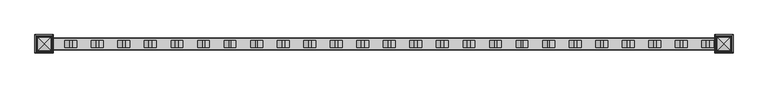
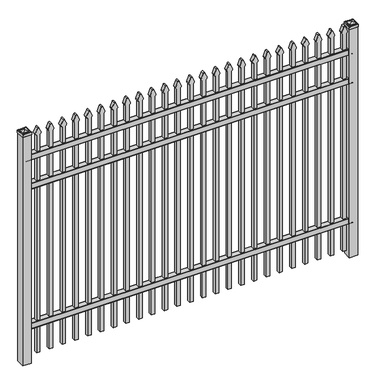
"""IFC4 building model written with IfcOpenShell, lengths in millimetres: railing geometry."""

from ifc_helpers import new_model, si_unit, point, frame, frame_2d, origin, origin_with_axes, place, context, project, spatial, polyline, circle_curve, ellipse_curve, trimmed, segment, composite_curve, outline, extrude, source, transform, mapped, element, save
from ifc_brep_helpers import plane_surface, cylinder_surface, advanced_brep


def railing_b350ca13(model_context):
    return source(origin(), model_context, "Body", "SolidModel", [
        extrude(outline(composite_curve([segment(polyline([(10349.9139761, 304.8), (10387.969541, 304.8)]), True, "CONTINUOUS"), segment(trimmed(circle_curve(frame_2d((10387.969541, 301.625)), 3.175), [point((10387.969541, 304.8))], [point((10391.144541, 301.625))], False, "CARTESIAN"), True, "CONTINUOUS"), segment(polyline([(10391.144541, 301.625), (10391.144541, 262.1439893)]), True, "CONTINUOUS"), segment(trimmed(circle_curve(frame_2d((10389.3505518, 262.1439893)), 1.7939893), [point((10391.144541, 262.1439893))], [point((10389.3505518, 260.35))], False, "CARTESIAN"), True, "CONTINUOUS"), segment(polyline([(10389.3505518, 260.35), (10386.7590713, 260.35)]), True, "CONTINUOUS"), segment(trimmed(circle_curve(frame_2d((10386.7590713, 262.1359375)), 1.7859375), [point((10386.7590713, 260.35))], [point((10384.9755813, 262.0424688))], False, "CARTESIAN"), True, "CONTINUOUS"), segment(polyline([(10384.9755813, 262.0424688), (10383.4025867, 292.0569942), (10354.4364954, 292.0569942), (10352.8635007, 262.0424688)]), True, "CONTINUOUS"), segment(trimmed(circle_curve(frame_2d((10351.0800108, 262.1359375)), 1.7859375), [point((10352.8635007, 262.0424688))], [point((10351.0800108, 260.35))], False, "CARTESIAN"), True, "CONTINUOUS"), segment(polyline([(10351.0800108, 260.35), (10348.4804785, 260.35)]), True, "CONTINUOUS"), segment(trimmed(circle_curve(frame_2d((10348.4804785, 262.1359375)), 1.7859375), [point((10348.4804785, 260.35))], [point((10346.694541, 262.1359375))], False, "CARTESIAN"), True, "CONTINUOUS"), segment(polyline([(10346.694541, 262.1359375), (10346.694541, 301.5805649)]), True, "CONTINUOUS"), segment(trimmed(circle_curve(frame_2d((10349.9139761, 301.5805649)), 3.2194351), [point((10346.694541, 301.5805649))], [point((10349.9139761, 304.8))], False, "CARTESIAN"), True, "CONTINUOUS")], self_intersect=False)), frame((-28443.4649936, 0.0, 0.0), z_axis=(1.0, 0.0, 0.0), x_axis=(0.0, 1.0, 0.0)), (0.0, 0.0, 1.0), 2438.4),
        extrude(outline(composite_curve([segment(polyline([(10349.9139761, 1409.7), (10387.969541, 1409.7)]), True, "CONTINUOUS"), segment(trimmed(circle_curve(frame_2d((10387.969541, 1406.525)), 3.175), [point((10387.969541, 1409.7))], [point((10391.144541, 1406.525))], False, "CARTESIAN"), True, "CONTINUOUS"), segment(polyline([(10391.144541, 1406.525), (10391.144541, 1367.0439893)]), True, "CONTINUOUS"), segment(trimmed(circle_curve(frame_2d((10389.3505518, 1367.0439893)), 1.7939893), [point((10391.144541, 1367.0439893))], [point((10389.3505518, 1365.25))], False, "CARTESIAN"), True, "CONTINUOUS"), segment(polyline([(10389.3505518, 1365.25), (10386.7590713, 1365.25)]), True, "CONTINUOUS"), segment(trimmed(circle_curve(frame_2d((10386.7590713, 1367.0359375)), 1.7859375), [point((10386.7590713, 1365.25))], [point((10384.9755813, 1366.9424688))], False, "CARTESIAN"), True, "CONTINUOUS"), segment(polyline([(10384.9755813, 1366.9424688), (10383.4025867, 1396.9569942), (10354.4364954, 1396.9569942), (10352.8635007, 1366.9424688)]), True, "CONTINUOUS"), segment(trimmed(circle_curve(frame_2d((10351.0800108, 1367.0359375)), 1.7859375), [point((10352.8635007, 1366.9424688))], [point((10351.0800108, 1365.25))], False, "CARTESIAN"), True, "CONTINUOUS"), segment(polyline([(10351.0800108, 1365.25), (10348.4804785, 1365.25)]), True, "CONTINUOUS"), segment(trimmed(circle_curve(frame_2d((10348.4804785, 1367.0359375)), 1.7859375), [point((10348.4804785, 1365.25))], [point((10346.694541, 1367.0359375))], False, "CARTESIAN"), True, "CONTINUOUS"), segment(polyline([(10346.694541, 1367.0359375), (10346.694541, 1406.4805649)]), True, "CONTINUOUS"), segment(trimmed(circle_curve(frame_2d((10349.9139761, 1406.4805649)), 3.2194351), [point((10346.694541, 1406.4805649))], [point((10349.9139761, 1409.7))], False, "CARTESIAN"), True, "CONTINUOUS")], self_intersect=False)), frame((-28443.4649936, 0.0, 0.0), z_axis=(1.0, 0.0, 0.0), x_axis=(0.0, 1.0, 0.0)), (0.0, 0.0, 1.0), 2438.4),
        extrude(outline(composite_curve([segment(polyline([(10349.9139761, 1639.8875), (10387.969541, 1639.8875)]), True, "CONTINUOUS"), segment(trimmed(circle_curve(frame_2d((10387.969541, 1636.7125)), 3.175), [point((10387.969541, 1639.8875))], [point((10391.144541, 1636.7125))], False, "CARTESIAN"), True, "CONTINUOUS"), segment(polyline([(10391.144541, 1636.7125), (10391.144541, 1597.2314893)]), True, "CONTINUOUS"), segment(trimmed(circle_curve(frame_2d((10389.3505518, 1597.2314893)), 1.7939893), [point((10391.144541, 1597.2314893))], [point((10389.3505518, 1595.4375))], False, "CARTESIAN"), True, "CONTINUOUS"), segment(polyline([(10389.3505518, 1595.4375), (10386.7590713, 1595.4375)]), True, "CONTINUOUS"), segment(trimmed(circle_curve(frame_2d((10386.7590713, 1597.2234375)), 1.7859375), [point((10386.7590713, 1595.4375))], [point((10384.9755813, 1597.1299688))], False, "CARTESIAN"), True, "CONTINUOUS"), segment(polyline([(10384.9755813, 1597.1299688), (10383.4025867, 1627.1444942), (10354.4364954, 1627.1444942), (10352.8635007, 1597.1299688)]), True, "CONTINUOUS"), segment(trimmed(circle_curve(frame_2d((10351.0800108, 1597.2234375)), 1.7859375), [point((10352.8635007, 1597.1299688))], [point((10351.0800108, 1595.4375))], False, "CARTESIAN"), True, "CONTINUOUS"), segment(polyline([(10351.0800108, 1595.4375), (10348.4804785, 1595.4375)]), True, "CONTINUOUS"), segment(trimmed(circle_curve(frame_2d((10348.4804785, 1597.2234375)), 1.7859375), [point((10348.4804785, 1595.4375))], [point((10346.694541, 1597.2234375))], False, "CARTESIAN"), True, "CONTINUOUS"), segment(polyline([(10346.694541, 1597.2234375), (10346.694541, 1636.6680649)]), True, "CONTINUOUS"), segment(trimmed(circle_curve(frame_2d((10349.9139761, 1636.6680649)), 3.2194351), [point((10346.694541, 1636.6680649))], [point((10349.9139761, 1639.8875))], False, "CARTESIAN"), True, "CONTINUOUS")], self_intersect=False)), frame((-28443.4649936, 0.0, 0.0), z_axis=(1.0, 0.0, 0.0), x_axis=(0.0, 1.0, 0.0)), (0.0, 0.0, 1.0), 2438.4),
        extrude(outline(composite_curve([segment(polyline([(1769.4798417, -26074.9149936), (50.8, -26074.9149936), (50.8, -26049.5149936), (1769.2579232, -26049.5149936)]), True, "CONTINUOUS"), segment(trimmed(circle_curve(frame_2d((1787.7299402, -26063.3872336)), 23.1009622), [point((1769.2579232, -26049.5149936))], [point((1782.2676176, -26040.9413545))], False, "CARTESIAN"), True, "CONTINUOUS"), segment(polyline([(1782.2676176, -26040.9413545), (1822.7555225, -26057.2605644)]), True, "CONTINUOUS"), segment(trimmed(circle_curve(frame_2d((1819.6045804, -26062.3905764)), 6.0204202), [point((1822.7555225, -26057.2605644))], [point((1822.7555225, -26067.5205884))], False, "CARTESIAN"), True, "CONTINUOUS"), segment(polyline([(1822.7555225, -26067.5205884), (1783.5339948, -26083.4687724)]), True, "CONTINUOUS"), segment(trimmed(circle_curve(frame_2d((1787.7299402, -26060.7520716)), 23.1009622), [point((1783.5339948, -26083.4687724))], [point((1769.4798417, -26074.9149936))], False, "CARTESIAN"), True, "CONTINUOUS")], self_intersect=False)), frame((0.0, 10356.219541, 0.0), z_axis=(0.0, 1.0, 0.0), x_axis=(0.0, 0.0, 1.0)), (0.0, 0.0, 1.0), 25.4),
        extrude(outline(composite_curve([segment(polyline([(1769.4798417, -26170.1649936), (50.8, -26170.1649936), (50.8, -26144.7649936), (1769.2579232, -26144.7649936)]), True, "CONTINUOUS"), segment(trimmed(circle_curve(frame_2d((1787.7299402, -26158.6372336)), 23.1009622), [point((1769.2579232, -26144.7649936))], [point((1782.2676176, -26136.1913545))], False, "CARTESIAN"), True, "CONTINUOUS"), segment(polyline([(1782.2676176, -26136.1913545), (1822.7555225, -26152.5105644)]), True, "CONTINUOUS"), segment(trimmed(circle_curve(frame_2d((1819.6045804, -26157.6405764)), 6.0204202), [point((1822.7555225, -26152.5105644))], [point((1822.7555225, -26162.7705884))], False, "CARTESIAN"), True, "CONTINUOUS"), segment(polyline([(1822.7555225, -26162.7705884), (1783.5339948, -26178.7187724)]), True, "CONTINUOUS"), segment(trimmed(circle_curve(frame_2d((1787.7299402, -26156.0020716)), 23.1009622), [point((1783.5339948, -26178.7187724))], [point((1769.4798417, -26170.1649936))], False, "CARTESIAN"), True, "CONTINUOUS")], self_intersect=False)), frame((0.0, 10356.219541, 0.0), z_axis=(0.0, 1.0, 0.0), x_axis=(0.0, 0.0, 1.0)), (0.0, 0.0, 1.0), 25.4),
        extrude(outline(composite_curve([segment(polyline([(1769.4798417, -26265.4149936), (50.8, -26265.4149936), (50.8, -26240.0149936), (1769.2579232, -26240.0149936)]), True, "CONTINUOUS"), segment(trimmed(circle_curve(frame_2d((1787.7299402, -26253.8872336)), 23.1009622), [point((1769.2579232, -26240.0149936))], [point((1782.2676176, -26231.4413545))], False, "CARTESIAN"), True, "CONTINUOUS"), segment(polyline([(1782.2676176, -26231.4413545), (1822.7555225, -26247.7605644)]), True, "CONTINUOUS"), segment(trimmed(circle_curve(frame_2d((1819.6045804, -26252.8905764)), 6.0204202), [point((1822.7555225, -26247.7605644))], [point((1822.7555225, -26258.0205884))], False, "CARTESIAN"), True, "CONTINUOUS"), segment(polyline([(1822.7555225, -26258.0205884), (1783.5339948, -26273.9687724)]), True, "CONTINUOUS"), segment(trimmed(circle_curve(frame_2d((1787.7299402, -26251.2520716)), 23.1009622), [point((1783.5339948, -26273.9687724))], [point((1769.4798417, -26265.4149936))], False, "CARTESIAN"), True, "CONTINUOUS")], self_intersect=False)), frame((0.0, 10356.219541, 0.0), z_axis=(0.0, 1.0, 0.0), x_axis=(0.0, 0.0, 1.0)), (0.0, 0.0, 1.0), 25.4),
        extrude(outline(composite_curve([segment(polyline([(1769.4798417, -26360.6649936), (50.8, -26360.6649936), (50.8, -26335.2649936), (1769.2579232, -26335.2649936)]), True, "CONTINUOUS"), segment(trimmed(circle_curve(frame_2d((1787.7299402, -26349.1372336)), 23.1009622), [point((1769.2579232, -26335.2649936))], [point((1782.2676176, -26326.6913545))], False, "CARTESIAN"), True, "CONTINUOUS"), segment(polyline([(1782.2676176, -26326.6913545), (1822.7555225, -26343.0105644)]), True, "CONTINUOUS"), segment(trimmed(circle_curve(frame_2d((1819.6045804, -26348.1405764)), 6.0204202), [point((1822.7555225, -26343.0105644))], [point((1822.7555225, -26353.2705884))], False, "CARTESIAN"), True, "CONTINUOUS"), segment(polyline([(1822.7555225, -26353.2705884), (1783.5339948, -26369.2187724)]), True, "CONTINUOUS"), segment(trimmed(circle_curve(frame_2d((1787.7299402, -26346.5020716)), 23.1009622), [point((1783.5339948, -26369.2187724))], [point((1769.4798417, -26360.6649936))], False, "CARTESIAN"), True, "CONTINUOUS")], self_intersect=False)), frame((0.0, 10356.219541, 0.0), z_axis=(0.0, 1.0, 0.0), x_axis=(0.0, 0.0, 1.0)), (0.0, 0.0, 1.0), 25.4),
        extrude(outline(composite_curve([segment(polyline([(1769.4798417, -26455.9149936), (50.8, -26455.9149936), (50.8, -26430.5149936), (1769.2579232, -26430.5149936)]), True, "CONTINUOUS"), segment(trimmed(circle_curve(frame_2d((1787.7299402, -26444.3872336)), 23.1009622), [point((1769.2579232, -26430.5149936))], [point((1782.2676176, -26421.9413545))], False, "CARTESIAN"), True, "CONTINUOUS"), segment(polyline([(1782.2676176, -26421.9413545), (1822.7555225, -26438.2605644)]), True, "CONTINUOUS"), segment(trimmed(circle_curve(frame_2d((1819.6045804, -26443.3905764)), 6.0204202), [point((1822.7555225, -26438.2605644))], [point((1822.7555225, -26448.5205884))], False, "CARTESIAN"), True, "CONTINUOUS"), segment(polyline([(1822.7555225, -26448.5205884), (1783.5339948, -26464.4687724)]), True, "CONTINUOUS"), segment(trimmed(circle_curve(frame_2d((1787.7299402, -26441.7520716)), 23.1009622), [point((1783.5339948, -26464.4687724))], [point((1769.4798417, -26455.9149936))], False, "CARTESIAN"), True, "CONTINUOUS")], self_intersect=False)), frame((0.0, 10356.219541, 0.0), z_axis=(0.0, 1.0, 0.0), x_axis=(0.0, 0.0, 1.0)), (0.0, 0.0, 1.0), 25.4),
        extrude(outline(composite_curve([segment(polyline([(1769.4798417, -26551.1649936), (50.8, -26551.1649936), (50.8, -26525.7649936), (1769.2579232, -26525.7649936)]), True, "CONTINUOUS"), segment(trimmed(circle_curve(frame_2d((1787.7299402, -26539.6372336)), 23.1009622), [point((1769.2579232, -26525.7649936))], [point((1782.2676176, -26517.1913545))], False, "CARTESIAN"), True, "CONTINUOUS"), segment(polyline([(1782.2676176, -26517.1913545), (1822.7555225, -26533.5105644)]), True, "CONTINUOUS"), segment(trimmed(circle_curve(frame_2d((1819.6045804, -26538.6405764)), 6.0204202), [point((1822.7555225, -26533.5105644))], [point((1822.7555225, -26543.7705884))], False, "CARTESIAN"), True, "CONTINUOUS"), segment(polyline([(1822.7555225, -26543.7705884), (1783.5339948, -26559.7187724)]), True, "CONTINUOUS"), segment(trimmed(circle_curve(frame_2d((1787.7299402, -26537.0020716)), 23.1009622), [point((1783.5339948, -26559.7187724))], [point((1769.4798417, -26551.1649936))], False, "CARTESIAN"), True, "CONTINUOUS")], self_intersect=False)), frame((0.0, 10356.219541, 0.0), z_axis=(0.0, 1.0, 0.0), x_axis=(0.0, 0.0, 1.0)), (0.0, 0.0, 1.0), 25.4),
        extrude(outline(composite_curve([segment(polyline([(1769.4798417, -26646.4149936), (50.8, -26646.4149936), (50.8, -26621.0149936), (1769.2579232, -26621.0149936)]), True, "CONTINUOUS"), segment(trimmed(circle_curve(frame_2d((1787.7299402, -26634.8872336)), 23.1009622), [point((1769.2579232, -26621.0149936))], [point((1782.2676176, -26612.4413545))], False, "CARTESIAN"), True, "CONTINUOUS"), segment(polyline([(1782.2676176, -26612.4413545), (1822.7555225, -26628.7605644)]), True, "CONTINUOUS"), segment(trimmed(circle_curve(frame_2d((1819.6045804, -26633.8905764)), 6.0204202), [point((1822.7555225, -26628.7605644))], [point((1822.7555225, -26639.0205884))], False, "CARTESIAN"), True, "CONTINUOUS"), segment(polyline([(1822.7555225, -26639.0205884), (1783.5339948, -26654.9687724)]), True, "CONTINUOUS"), segment(trimmed(circle_curve(frame_2d((1787.7299402, -26632.2520716)), 23.1009622), [point((1783.5339948, -26654.9687724))], [point((1769.4798417, -26646.4149936))], False, "CARTESIAN"), True, "CONTINUOUS")], self_intersect=False)), frame((0.0, 10356.219541, 0.0), z_axis=(0.0, 1.0, 0.0), x_axis=(0.0, 0.0, 1.0)), (0.0, 0.0, 1.0), 25.4),
        extrude(outline(composite_curve([segment(polyline([(1769.4798417, -26741.6649936), (50.8, -26741.6649936), (50.8, -26716.2649936), (1769.2579232, -26716.2649936)]), True, "CONTINUOUS"), segment(trimmed(circle_curve(frame_2d((1787.7299402, -26730.1372336)), 23.1009622), [point((1769.2579232, -26716.2649936))], [point((1782.2676176, -26707.6913545))], False, "CARTESIAN"), True, "CONTINUOUS"), segment(polyline([(1782.2676176, -26707.6913545), (1822.7555225, -26724.0105644)]), True, "CONTINUOUS"), segment(trimmed(circle_curve(frame_2d((1819.6045804, -26729.1405764)), 6.0204202), [point((1822.7555225, -26724.0105644))], [point((1822.7555225, -26734.2705884))], False, "CARTESIAN"), True, "CONTINUOUS"), segment(polyline([(1822.7555225, -26734.2705884), (1783.5339948, -26750.2187724)]), True, "CONTINUOUS"), segment(trimmed(circle_curve(frame_2d((1787.7299402, -26727.5020716)), 23.1009622), [point((1783.5339948, -26750.2187724))], [point((1769.4798417, -26741.6649936))], False, "CARTESIAN"), True, "CONTINUOUS")], self_intersect=False)), frame((0.0, 10356.219541, 0.0), z_axis=(0.0, 1.0, 0.0), x_axis=(0.0, 0.0, 1.0)), (0.0, 0.0, 1.0), 25.4),
        extrude(outline(composite_curve([segment(polyline([(1769.4798417, -26836.9149936), (50.8, -26836.9149936), (50.8, -26811.5149936), (1769.2579232, -26811.5149936)]), True, "CONTINUOUS"), segment(trimmed(circle_curve(frame_2d((1787.7299402, -26825.3872336)), 23.1009622), [point((1769.2579232, -26811.5149936))], [point((1782.2676176, -26802.9413545))], False, "CARTESIAN"), True, "CONTINUOUS"), segment(polyline([(1782.2676176, -26802.9413545), (1822.7555225, -26819.2605644)]), True, "CONTINUOUS"), segment(trimmed(circle_curve(frame_2d((1819.6045804, -26824.3905764)), 6.0204202), [point((1822.7555225, -26819.2605644))], [point((1822.7555225, -26829.5205884))], False, "CARTESIAN"), True, "CONTINUOUS"), segment(polyline([(1822.7555225, -26829.5205884), (1783.5339948, -26845.4687724)]), True, "CONTINUOUS"), segment(trimmed(circle_curve(frame_2d((1787.7299402, -26822.7520716)), 23.1009622), [point((1783.5339948, -26845.4687724))], [point((1769.4798417, -26836.9149936))], False, "CARTESIAN"), True, "CONTINUOUS")], self_intersect=False)), frame((0.0, 10356.219541, 0.0), z_axis=(0.0, 1.0, 0.0), x_axis=(0.0, 0.0, 1.0)), (0.0, 0.0, 1.0), 25.4),
        extrude(outline(composite_curve([segment(polyline([(1769.4798417, -26932.1649936), (50.8, -26932.1649936), (50.8, -26906.7649936), (1769.2579232, -26906.7649936)]), True, "CONTINUOUS"), segment(trimmed(circle_curve(frame_2d((1787.7299402, -26920.6372336)), 23.1009622), [point((1769.2579232, -26906.7649936))], [point((1782.2676176, -26898.1913545))], False, "CARTESIAN"), True, "CONTINUOUS"), segment(polyline([(1782.2676176, -26898.1913545), (1822.7555225, -26914.5105644)]), True, "CONTINUOUS"), segment(trimmed(circle_curve(frame_2d((1819.6045804, -26919.6405764)), 6.0204202), [point((1822.7555225, -26914.5105644))], [point((1822.7555225, -26924.7705884))], False, "CARTESIAN"), True, "CONTINUOUS"), segment(polyline([(1822.7555225, -26924.7705884), (1783.5339948, -26940.7187724)]), True, "CONTINUOUS"), segment(trimmed(circle_curve(frame_2d((1787.7299402, -26918.0020716)), 23.1009622), [point((1783.5339948, -26940.7187724))], [point((1769.4798417, -26932.1649936))], False, "CARTESIAN"), True, "CONTINUOUS")], self_intersect=False)), frame((0.0, 10356.219541, 0.0), z_axis=(0.0, 1.0, 0.0), x_axis=(0.0, 0.0, 1.0)), (0.0, 0.0, 1.0), 25.4),
        extrude(outline(composite_curve([segment(polyline([(1769.4798417, -27027.4149936), (50.8, -27027.4149936), (50.8, -27002.0149936), (1769.2579232, -27002.0149936)]), True, "CONTINUOUS"), segment(trimmed(circle_curve(frame_2d((1787.7299402, -27015.8872336)), 23.1009622), [point((1769.2579232, -27002.0149936))], [point((1782.2676176, -26993.4413545))], False, "CARTESIAN"), True, "CONTINUOUS"), segment(polyline([(1782.2676176, -26993.4413545), (1822.7555225, -27009.7605644)]), True, "CONTINUOUS"), segment(trimmed(circle_curve(frame_2d((1819.6045804, -27014.8905764)), 6.0204202), [point((1822.7555225, -27009.7605644))], [point((1822.7555225, -27020.0205884))], False, "CARTESIAN"), True, "CONTINUOUS"), segment(polyline([(1822.7555225, -27020.0205884), (1783.5339948, -27035.9687724)]), True, "CONTINUOUS"), segment(trimmed(circle_curve(frame_2d((1787.7299402, -27013.2520716)), 23.1009622), [point((1783.5339948, -27035.9687724))], [point((1769.4798417, -27027.4149936))], False, "CARTESIAN"), True, "CONTINUOUS")], self_intersect=False)), frame((0.0, 10356.219541, 0.0), z_axis=(0.0, 1.0, 0.0), x_axis=(0.0, 0.0, 1.0)), (0.0, 0.0, 1.0), 25.4),
        extrude(outline(composite_curve([segment(polyline([(1769.4798417, -27122.6649936), (50.8, -27122.6649936), (50.8, -27097.2649936), (1769.2579232, -27097.2649936)]), True, "CONTINUOUS"), segment(trimmed(circle_curve(frame_2d((1787.7299402, -27111.1372336)), 23.1009622), [point((1769.2579232, -27097.2649936))], [point((1782.2676176, -27088.6913545))], False, "CARTESIAN"), True, "CONTINUOUS"), segment(polyline([(1782.2676176, -27088.6913545), (1822.7555225, -27105.0105644)]), True, "CONTINUOUS"), segment(trimmed(circle_curve(frame_2d((1819.6045804, -27110.1405764)), 6.0204202), [point((1822.7555225, -27105.0105644))], [point((1822.7555225, -27115.2705884))], False, "CARTESIAN"), True, "CONTINUOUS"), segment(polyline([(1822.7555225, -27115.2705884), (1783.5339948, -27131.2187724)]), True, "CONTINUOUS"), segment(trimmed(circle_curve(frame_2d((1787.7299402, -27108.5020716)), 23.1009622), [point((1783.5339948, -27131.2187724))], [point((1769.4798417, -27122.6649936))], False, "CARTESIAN"), True, "CONTINUOUS")], self_intersect=False)), frame((0.0, 10356.219541, 0.0), z_axis=(0.0, 1.0, 0.0), x_axis=(0.0, 0.0, 1.0)), (0.0, 0.0, 1.0), 25.4),
        extrude(outline(composite_curve([segment(polyline([(1769.4798417, -27217.9149936), (50.8, -27217.9149936), (50.8, -27192.5149936), (1769.2579232, -27192.5149936)]), True, "CONTINUOUS"), segment(trimmed(circle_curve(frame_2d((1787.7299402, -27206.3872336)), 23.1009622), [point((1769.2579232, -27192.5149936))], [point((1782.2676176, -27183.9413545))], False, "CARTESIAN"), True, "CONTINUOUS"), segment(polyline([(1782.2676176, -27183.9413545), (1822.7555225, -27200.2605644)]), True, "CONTINUOUS"), segment(trimmed(circle_curve(frame_2d((1819.6045804, -27205.3905764)), 6.0204202), [point((1822.7555225, -27200.2605644))], [point((1822.7555225, -27210.5205884))], False, "CARTESIAN"), True, "CONTINUOUS"), segment(polyline([(1822.7555225, -27210.5205884), (1783.5339948, -27226.4687724)]), True, "CONTINUOUS"), segment(trimmed(circle_curve(frame_2d((1787.7299402, -27203.7520716)), 23.1009622), [point((1783.5339948, -27226.4687724))], [point((1769.4798417, -27217.9149936))], False, "CARTESIAN"), True, "CONTINUOUS")], self_intersect=False)), frame((0.0, 10356.219541, 0.0), z_axis=(0.0, 1.0, 0.0), x_axis=(0.0, 0.0, 1.0)), (0.0, 0.0, 1.0), 25.4),
        extrude(outline(composite_curve([segment(polyline([(1769.4798417, -27313.1649936), (50.8, -27313.1649936), (50.8, -27287.7649936), (1769.2579232, -27287.7649936)]), True, "CONTINUOUS"), segment(trimmed(circle_curve(frame_2d((1787.7299402, -27301.6372336)), 23.1009622), [point((1769.2579232, -27287.7649936))], [point((1782.2676176, -27279.1913545))], False, "CARTESIAN"), True, "CONTINUOUS"), segment(polyline([(1782.2676176, -27279.1913545), (1822.7555225, -27295.5105644)]), True, "CONTINUOUS"), segment(trimmed(circle_curve(frame_2d((1819.6045804, -27300.6405764)), 6.0204202), [point((1822.7555225, -27295.5105644))], [point((1822.7555225, -27305.7705884))], False, "CARTESIAN"), True, "CONTINUOUS"), segment(polyline([(1822.7555225, -27305.7705884), (1783.5339948, -27321.7187724)]), True, "CONTINUOUS"), segment(trimmed(circle_curve(frame_2d((1787.7299402, -27299.0020716)), 23.1009622), [point((1783.5339948, -27321.7187724))], [point((1769.4798417, -27313.1649936))], False, "CARTESIAN"), True, "CONTINUOUS")], self_intersect=False)), frame((0.0, 10356.219541, 0.0), z_axis=(0.0, 1.0, 0.0), x_axis=(0.0, 0.0, 1.0)), (0.0, 0.0, 1.0), 25.4),
        extrude(outline(composite_curve([segment(polyline([(1769.4798417, -27408.4149936), (50.8, -27408.4149936), (50.8, -27383.0149936), (1769.2579232, -27383.0149936)]), True, "CONTINUOUS"), segment(trimmed(circle_curve(frame_2d((1787.7299402, -27396.8872336)), 23.1009622), [point((1769.2579232, -27383.0149936))], [point((1782.2676176, -27374.4413545))], False, "CARTESIAN"), True, "CONTINUOUS"), segment(polyline([(1782.2676176, -27374.4413545), (1822.7555225, -27390.7605644)]), True, "CONTINUOUS"), segment(trimmed(circle_curve(frame_2d((1819.6045804, -27395.8905764)), 6.0204202), [point((1822.7555225, -27390.7605644))], [point((1822.7555225, -27401.0205884))], False, "CARTESIAN"), True, "CONTINUOUS"), segment(polyline([(1822.7555225, -27401.0205884), (1783.5339948, -27416.9687724)]), True, "CONTINUOUS"), segment(trimmed(circle_curve(frame_2d((1787.7299402, -27394.2520716)), 23.1009622), [point((1783.5339948, -27416.9687724))], [point((1769.4798417, -27408.4149936))], False, "CARTESIAN"), True, "CONTINUOUS")], self_intersect=False)), frame((0.0, 10356.219541, 0.0), z_axis=(0.0, 1.0, 0.0), x_axis=(0.0, 0.0, 1.0)), (0.0, 0.0, 1.0), 25.4),
        extrude(outline(composite_curve([segment(polyline([(1769.4798417, -27503.6649936), (50.8, -27503.6649936), (50.8, -27478.2649936), (1769.2579232, -27478.2649936)]), True, "CONTINUOUS"), segment(trimmed(circle_curve(frame_2d((1787.7299402, -27492.1372336)), 23.1009622), [point((1769.2579232, -27478.2649936))], [point((1782.2676176, -27469.6913545))], False, "CARTESIAN"), True, "CONTINUOUS"), segment(polyline([(1782.2676176, -27469.6913545), (1822.7555225, -27486.0105644)]), True, "CONTINUOUS"), segment(trimmed(circle_curve(frame_2d((1819.6045804, -27491.1405764)), 6.0204202), [point((1822.7555225, -27486.0105644))], [point((1822.7555225, -27496.2705884))], False, "CARTESIAN"), True, "CONTINUOUS"), segment(polyline([(1822.7555225, -27496.2705884), (1783.5339948, -27512.2187724)]), True, "CONTINUOUS"), segment(trimmed(circle_curve(frame_2d((1787.7299402, -27489.5020716)), 23.1009622), [point((1783.5339948, -27512.2187724))], [point((1769.4798417, -27503.6649936))], False, "CARTESIAN"), True, "CONTINUOUS")], self_intersect=False)), frame((0.0, 10356.219541, 0.0), z_axis=(0.0, 1.0, 0.0), x_axis=(0.0, 0.0, 1.0)), (0.0, 0.0, 1.0), 25.4),
        extrude(outline(composite_curve([segment(polyline([(1769.4798417, -27598.9149936), (50.8, -27598.9149936), (50.8, -27573.5149936), (1769.2579232, -27573.5149936)]), True, "CONTINUOUS"), segment(trimmed(circle_curve(frame_2d((1787.7299402, -27587.3872336)), 23.1009622), [point((1769.2579232, -27573.5149936))], [point((1782.2676176, -27564.9413545))], False, "CARTESIAN"), True, "CONTINUOUS"), segment(polyline([(1782.2676176, -27564.9413545), (1822.7555225, -27581.2605644)]), True, "CONTINUOUS"), segment(trimmed(circle_curve(frame_2d((1819.6045804, -27586.3905764)), 6.0204202), [point((1822.7555225, -27581.2605644))], [point((1822.7555225, -27591.5205884))], False, "CARTESIAN"), True, "CONTINUOUS"), segment(polyline([(1822.7555225, -27591.5205884), (1783.5339948, -27607.4687724)]), True, "CONTINUOUS"), segment(trimmed(circle_curve(frame_2d((1787.7299402, -27584.7520716)), 23.1009622), [point((1783.5339948, -27607.4687724))], [point((1769.4798417, -27598.9149936))], False, "CARTESIAN"), True, "CONTINUOUS")], self_intersect=False)), frame((0.0, 10356.219541, 0.0), z_axis=(0.0, 1.0, 0.0), x_axis=(0.0, 0.0, 1.0)), (0.0, 0.0, 1.0), 25.4),
        extrude(outline(composite_curve([segment(polyline([(1769.4798417, -27694.1649936), (50.8, -27694.1649936), (50.8, -27668.7649936), (1769.2579232, -27668.7649936)]), True, "CONTINUOUS"), segment(trimmed(circle_curve(frame_2d((1787.7299402, -27682.6372336)), 23.1009622), [point((1769.2579232, -27668.7649936))], [point((1782.2676176, -27660.1913545))], False, "CARTESIAN"), True, "CONTINUOUS"), segment(polyline([(1782.2676176, -27660.1913545), (1822.7555225, -27676.5105644)]), True, "CONTINUOUS"), segment(trimmed(circle_curve(frame_2d((1819.6045804, -27681.6405764)), 6.0204202), [point((1822.7555225, -27676.5105644))], [point((1822.7555225, -27686.7705884))], False, "CARTESIAN"), True, "CONTINUOUS"), segment(polyline([(1822.7555225, -27686.7705884), (1783.5339948, -27702.7187724)]), True, "CONTINUOUS"), segment(trimmed(circle_curve(frame_2d((1787.7299402, -27680.0020716)), 23.1009622), [point((1783.5339948, -27702.7187724))], [point((1769.4798417, -27694.1649936))], False, "CARTESIAN"), True, "CONTINUOUS")], self_intersect=False)), frame((0.0, 10356.219541, 0.0), z_axis=(0.0, 1.0, 0.0), x_axis=(0.0, 0.0, 1.0)), (0.0, 0.0, 1.0), 25.4),
        extrude(outline(composite_curve([segment(polyline([(1769.4798417, -27789.4149936), (50.8, -27789.4149936), (50.8, -27764.0149936), (1769.2579232, -27764.0149936)]), True, "CONTINUOUS"), segment(trimmed(circle_curve(frame_2d((1787.7299402, -27777.8872336)), 23.1009622), [point((1769.2579232, -27764.0149936))], [point((1782.2676176, -27755.4413545))], False, "CARTESIAN"), True, "CONTINUOUS"), segment(polyline([(1782.2676176, -27755.4413545), (1822.7555225, -27771.7605644)]), True, "CONTINUOUS"), segment(trimmed(circle_curve(frame_2d((1819.6045804, -27776.8905764)), 6.0204202), [point((1822.7555225, -27771.7605644))], [point((1822.7555225, -27782.0205884))], False, "CARTESIAN"), True, "CONTINUOUS"), segment(polyline([(1822.7555225, -27782.0205884), (1783.5339948, -27797.9687724)]), True, "CONTINUOUS"), segment(trimmed(circle_curve(frame_2d((1787.7299402, -27775.2520716)), 23.1009622), [point((1783.5339948, -27797.9687724))], [point((1769.4798417, -27789.4149936))], False, "CARTESIAN"), True, "CONTINUOUS")], self_intersect=False)), frame((0.0, 10356.219541, 0.0), z_axis=(0.0, 1.0, 0.0), x_axis=(0.0, 0.0, 1.0)), (0.0, 0.0, 1.0), 25.4),
        extrude(outline(composite_curve([segment(polyline([(1769.4798417, -27884.6649936), (50.8, -27884.6649936), (50.8, -27859.2649936), (1769.2579232, -27859.2649936)]), True, "CONTINUOUS"), segment(trimmed(circle_curve(frame_2d((1787.7299402, -27873.1372336)), 23.1009622), [point((1769.2579232, -27859.2649936))], [point((1782.2676176, -27850.6913545))], False, "CARTESIAN"), True, "CONTINUOUS"), segment(polyline([(1782.2676176, -27850.6913545), (1822.7555225, -27867.0105644)]), True, "CONTINUOUS"), segment(trimmed(circle_curve(frame_2d((1819.6045804, -27872.1405764)), 6.0204202), [point((1822.7555225, -27867.0105644))], [point((1822.7555225, -27877.2705884))], False, "CARTESIAN"), True, "CONTINUOUS"), segment(polyline([(1822.7555225, -27877.2705884), (1783.5339948, -27893.2187724)]), True, "CONTINUOUS"), segment(trimmed(circle_curve(frame_2d((1787.7299402, -27870.5020716)), 23.1009622), [point((1783.5339948, -27893.2187724))], [point((1769.4798417, -27884.6649936))], False, "CARTESIAN"), True, "CONTINUOUS")], self_intersect=False)), frame((0.0, 10356.219541, 0.0), z_axis=(0.0, 1.0, 0.0), x_axis=(0.0, 0.0, 1.0)), (0.0, 0.0, 1.0), 25.4),
        extrude(outline(composite_curve([segment(polyline([(1769.4798417, -27979.9149936), (50.8, -27979.9149936), (50.8, -27954.5149936), (1769.2579232, -27954.5149936)]), True, "CONTINUOUS"), segment(trimmed(circle_curve(frame_2d((1787.7299402, -27968.3872336)), 23.1009622), [point((1769.2579232, -27954.5149936))], [point((1782.2676176, -27945.9413545))], False, "CARTESIAN"), True, "CONTINUOUS"), segment(polyline([(1782.2676176, -27945.9413545), (1822.7555225, -27962.2605644)]), True, "CONTINUOUS"), segment(trimmed(circle_curve(frame_2d((1819.6045804, -27967.3905764)), 6.0204202), [point((1822.7555225, -27962.2605644))], [point((1822.7555225, -27972.5205884))], False, "CARTESIAN"), True, "CONTINUOUS"), segment(polyline([(1822.7555225, -27972.5205884), (1783.5339948, -27988.4687724)]), True, "CONTINUOUS"), segment(trimmed(circle_curve(frame_2d((1787.7299402, -27965.7520716)), 23.1009622), [point((1783.5339948, -27988.4687724))], [point((1769.4798417, -27979.9149936))], False, "CARTESIAN"), True, "CONTINUOUS")], self_intersect=False)), frame((0.0, 10356.219541, 0.0), z_axis=(0.0, 1.0, 0.0), x_axis=(0.0, 0.0, 1.0)), (0.0, 0.0, 1.0), 25.4),
        extrude(outline(composite_curve([segment(polyline([(1769.4798417, -28075.1649936), (50.8, -28075.1649936), (50.8, -28049.7649936), (1769.2579232, -28049.7649936)]), True, "CONTINUOUS"), segment(trimmed(circle_curve(frame_2d((1787.7299402, -28063.6372336)), 23.1009622), [point((1769.2579232, -28049.7649936))], [point((1782.2676176, -28041.1913545))], False, "CARTESIAN"), True, "CONTINUOUS"), segment(polyline([(1782.2676176, -28041.1913545), (1822.7555225, -28057.5105644)]), True, "CONTINUOUS"), segment(trimmed(circle_curve(frame_2d((1819.6045804, -28062.6405764)), 6.0204202), [point((1822.7555225, -28057.5105644))], [point((1822.7555225, -28067.7705884))], False, "CARTESIAN"), True, "CONTINUOUS"), segment(polyline([(1822.7555225, -28067.7705884), (1783.5339948, -28083.7187724)]), True, "CONTINUOUS"), segment(trimmed(circle_curve(frame_2d((1787.7299402, -28061.0020716)), 23.1009622), [point((1783.5339948, -28083.7187724))], [point((1769.4798417, -28075.1649936))], False, "CARTESIAN"), True, "CONTINUOUS")], self_intersect=False)), frame((0.0, 10356.219541, 0.0), z_axis=(0.0, 1.0, 0.0), x_axis=(0.0, 0.0, 1.0)), (0.0, 0.0, 1.0), 25.4),
        extrude(outline(composite_curve([segment(polyline([(1769.4798417, -28170.4149936), (50.8, -28170.4149936), (50.8, -28145.0149936), (1769.2579232, -28145.0149936)]), True, "CONTINUOUS"), segment(trimmed(circle_curve(frame_2d((1787.7299402, -28158.8872336)), 23.1009622), [point((1769.2579232, -28145.0149936))], [point((1782.2676176, -28136.4413545))], False, "CARTESIAN"), True, "CONTINUOUS"), segment(polyline([(1782.2676176, -28136.4413545), (1822.7555225, -28152.7605644)]), True, "CONTINUOUS"), segment(trimmed(circle_curve(frame_2d((1819.6045804, -28157.8905764)), 6.0204202), [point((1822.7555225, -28152.7605644))], [point((1822.7555225, -28163.0205884))], False, "CARTESIAN"), True, "CONTINUOUS"), segment(polyline([(1822.7555225, -28163.0205884), (1783.5339948, -28178.9687724)]), True, "CONTINUOUS"), segment(trimmed(circle_curve(frame_2d((1787.7299402, -28156.2520716)), 23.1009622), [point((1783.5339948, -28178.9687724))], [point((1769.4798417, -28170.4149936))], False, "CARTESIAN"), True, "CONTINUOUS")], self_intersect=False)), frame((0.0, 10356.219541, 0.0), z_axis=(0.0, 1.0, 0.0), x_axis=(0.0, 0.0, 1.0)), (0.0, 0.0, 1.0), 25.4),
        extrude(outline(composite_curve([segment(polyline([(1769.4798417, -28265.6649936), (50.8, -28265.6649936), (50.8, -28240.2649936), (1769.2579232, -28240.2649936)]), True, "CONTINUOUS"), segment(trimmed(circle_curve(frame_2d((1787.7299402, -28254.1372336)), 23.1009622), [point((1769.2579232, -28240.2649936))], [point((1782.2676176, -28231.6913545))], False, "CARTESIAN"), True, "CONTINUOUS"), segment(polyline([(1782.2676176, -28231.6913545), (1822.7555225, -28248.0105644)]), True, "CONTINUOUS"), segment(trimmed(circle_curve(frame_2d((1819.6045804, -28253.1405764)), 6.0204202), [point((1822.7555225, -28248.0105644))], [point((1822.7555225, -28258.2705884))], False, "CARTESIAN"), True, "CONTINUOUS"), segment(polyline([(1822.7555225, -28258.2705884), (1783.5339948, -28274.2187724)]), True, "CONTINUOUS"), segment(trimmed(circle_curve(frame_2d((1787.7299402, -28251.5020716)), 23.1009622), [point((1783.5339948, -28274.2187724))], [point((1769.4798417, -28265.6649936))], False, "CARTESIAN"), True, "CONTINUOUS")], self_intersect=False)), frame((0.0, 10356.219541, 0.0), z_axis=(0.0, 1.0, 0.0), x_axis=(0.0, 0.0, 1.0)), (0.0, 0.0, 1.0), 25.4),
        extrude(outline(composite_curve([segment(polyline([(1769.4798417, -28360.9149936), (50.8, -28360.9149936), (50.8, -28335.5149936), (1769.2579232, -28335.5149936)]), True, "CONTINUOUS"), segment(trimmed(circle_curve(frame_2d((1787.7299402, -28349.3872336)), 23.1009622), [point((1769.2579232, -28335.5149936))], [point((1782.2676176, -28326.9413545))], False, "CARTESIAN"), True, "CONTINUOUS"), segment(polyline([(1782.2676176, -28326.9413545), (1822.7555225, -28343.2605644)]), True, "CONTINUOUS"), segment(trimmed(circle_curve(frame_2d((1819.6045804, -28348.3905764)), 6.0204202), [point((1822.7555225, -28343.2605644))], [point((1822.7555225, -28353.5205884))], False, "CARTESIAN"), True, "CONTINUOUS"), segment(polyline([(1822.7555225, -28353.5205884), (1783.5339948, -28369.4687724)]), True, "CONTINUOUS"), segment(trimmed(circle_curve(frame_2d((1787.7299402, -28346.7520716)), 23.1009622), [point((1783.5339948, -28369.4687724))], [point((1769.4798417, -28360.9149936))], False, "CARTESIAN"), True, "CONTINUOUS")], self_intersect=False)), frame((0.0, 10356.219541, 0.0), z_axis=(0.0, 1.0, 0.0), x_axis=(0.0, 0.0, 1.0)), (0.0, 0.0, 1.0), 25.4),
        extrude(outline(polyline([(-25973.3149936, 10400.669541), (-25973.3149936, 10337.169541), (-26036.8149936, 10337.169541), (-26036.8149936, 10400.669541), (-25973.3149936, 10400.669541)])), origin_with_axes(), (0.0, 0.0, 1.0), 1804.9875),
        advanced_brep(
        [(-26038.4024936, 10402.257041, 1823.24375), (-26038.4024936, 10402.257041, 1804.9875), (-26038.4024936, 10335.582041, 1804.9875), (-26038.4024936, 10335.582041, 1823.24375), (-26036.0212436, 10399.875791, 1825.625), (-26036.0212436, 10337.963291, 1825.625), (-26033.6399936, 10397.494541, 1828.00625), (-26033.6399936, 10397.494541, 1825.625), (-26033.6399936, 10340.344541, 1825.625), (-26033.6399936, 10340.344541, 1828.00625), (-26031.2587436, 10395.113291, 1830.3875), (-26031.2587436, 10342.725791, 1830.3875), (-26005.0649936, 10368.919541, 1836.7375), (-26028.8774936, 10392.732041, 1830.3875), (-26028.8774936, 10345.107041, 1830.3875), (-25971.7274936, 10335.582041, 1804.9875), (-25971.7274936, 10335.582041, 1823.24375), (-25974.1087436, 10337.963291, 1825.625), (-25976.4899936, 10340.344541, 1825.625), (-25976.4899936, 10340.344541, 1828.00625), (-25978.8712436, 10342.725791, 1830.3875), (-25981.2524936, 10345.107041, 1830.3875), (-25971.7274936, 10402.257041, 1804.9875), (-25971.7274936, 10402.257041, 1823.24375), (-25974.1087436, 10399.875791, 1825.625), (-25976.4899936, 10397.494541, 1825.625), (-25976.4899936, 10397.494541, 1828.00625), (-25978.8712436, 10395.113291, 1830.3875), (-25981.2524936, 10392.732041, 1830.3875)],
        [
            (0, 1),
            (1, 2),
            (2, 3),
            (3, 0),
            (4, 0, ellipse_curve(frame((-26036.0212436, 10399.875791, 1823.24375), z_axis=(-0.70710678118655, -0.7071067811865449, 0.0), x_axis=(-0.7071067811865448, 0.7071067811865501, 0.0)), 3.367596, 2.38125)),
            (3, 5, ellipse_curve(frame((-26036.0212436, 10337.963291, 1823.24375), z_axis=(-0.7071067811865449, 0.70710678118655, 0.0), x_axis=(0.7071067811865499, 0.707106781186545, 0.0)), 3.367596, 2.38125)),
            (5, 4),
            (6, 7),
            (7, 8),
            (8, 9),
            (9, 6),
            (10, 6, ellipse_curve(frame((-26031.2587436, 10395.113291, 1828.00625), z_axis=(-0.70710678118655, -0.7071067811865449, 0.0), x_axis=(-0.7071067811865448, 0.7071067811865501, 0.0)), 3.367596, 2.38125)),
            (9, 11, ellipse_curve(frame((-26031.2587436, 10342.725791, 1828.00625), z_axis=(-0.7071067811865449, 0.70710678118655, 0.0), x_axis=(0.7071067811865499, 0.707106781186545, 0.0)), 3.367596, 2.38125)),
            (11, 10),
            (12, 13, ellipse_curve(frame((-26005.0649936, 10368.919541, 1788.9140625), z_axis=(-0.70710678118655, -0.7071067811865449, 0.0), x_axis=(-0.7071067811865448, 0.7071067811865501, 0.0)), 67.6325539, 47.8234375)),
            (13, 14),
            (14, 12, ellipse_curve(frame((-26005.0649936, 10368.919541, 1788.9140625), z_axis=(-0.7071067811865449, 0.70710678118655, 0.0), x_axis=(0.7071067811865499, 0.707106781186545, 0.0)), 67.6325539, 47.8234375)),
            (2, 15),
            (15, 16),
            (16, 3),
            (16, 17, ellipse_curve(frame((-25974.1087436, 10337.963291, 1823.24375), z_axis=(-0.70710678118655, -0.707106781186545, 0.0), x_axis=(-0.707106781186545, 0.70710678118655, 0.0)), 3.367596, 2.38125)),
            (17, 5),
            (8, 18),
            (18, 19),
            (19, 9),
            (19, 20, ellipse_curve(frame((-25978.8712436, 10342.725791, 1828.00625), z_axis=(-0.70710678118655, -0.707106781186545, 0.0), x_axis=(-0.707106781186545, 0.70710678118655, 0.0)), 3.367596, 2.38125)),
            (20, 11),
            (14, 21),
            (21, 12, ellipse_curve(frame((-26005.0649936, 10368.919541, 1788.9140625), z_axis=(-0.70710678118655, -0.707106781186545, 0.0), x_axis=(-0.707106781186545, 0.70710678118655, 0.0)), 67.6325539, 47.8234375)),
            (15, 22),
            (22, 23),
            (23, 16),
            (23, 24, ellipse_curve(frame((-25974.1087436, 10399.875791, 1823.24375), z_axis=(0.707106781186545, -0.7071067811865499, 0.0), x_axis=(-0.7071067811865497, -0.7071067811865452, 0.0)), 3.367596, 2.38125)),
            (24, 17),
            (18, 25),
            (25, 26),
            (26, 19),
            (26, 27, ellipse_curve(frame((-25978.8712436, 10395.113291, 1828.00625), z_axis=(0.707106781186545, -0.7071067811865499, 0.0), x_axis=(-0.7071067811865497, -0.7071067811865452, 0.0)), 3.367596, 2.38125)),
            (27, 20),
            (21, 28),
            (28, 12, ellipse_curve(frame((-26005.0649936, 10368.919541, 1788.9140625), z_axis=(0.707106781186545, -0.7071067811865499, 0.0), x_axis=(-0.7071067811865497, -0.7071067811865452, 0.0)), 67.6325539, 47.8234375)),
            (22, 1),
            (0, 23),
            (4, 24),
            (7, 25),
            (6, 26),
            (10, 27),
            (13, 28),
        ],
        [
            plane_surface(frame((-26038.4024936, 10402.257041, 1804.9875), z_axis=(-1.0, 0.0, 0.0), x_axis=(0.0, -1.0, 0.0))),
            cylinder_surface(frame((-26036.0212436, 10400.669541, 1823.24375), z_axis=(0.0, 1.0, 0.0), x_axis=(1.0, 0.0, 0.0)), 2.38125),
            plane_surface(frame((-26033.6399936, 10397.494541, 1825.625), z_axis=(-1.0, 0.0, 0.0), x_axis=(0.0, -1.0, 0.0))),
            cylinder_surface(frame((-26031.2587436, 10400.669541, 1828.00625), z_axis=(0.0, 1.0, 0.0), x_axis=(1.0, 0.0, 0.0)), 2.38125),
            cylinder_surface(frame((-26005.0649936, 10400.669541, 1788.9140625), z_axis=(0.0, 1.0, 0.0), x_axis=(1.0, 0.0, 0.0)), 47.8234375),
            plane_surface(frame((-26038.4024936, 10335.582041, 1804.9875), z_axis=(0.0, -1.0, 0.0), x_axis=(1.0, 0.0, 0.0))),
            cylinder_surface(frame((-26036.8149936, 10337.963291, 1823.24375), z_axis=(-1.0, 0.0, 0.0), x_axis=(0.0, 1.0, 0.0)), 2.38125),
            plane_surface(frame((-26033.6399936, 10340.344541, 1825.625), z_axis=(0.0, -1.0, 0.0), x_axis=(1.0, 0.0, 0.0))),
            cylinder_surface(frame((-26036.8149936, 10342.725791, 1828.00625), z_axis=(-1.0, 0.0, 0.0), x_axis=(0.0, 1.0, 0.0)), 2.38125),
            cylinder_surface(frame((-26036.8149936, 10368.919541, 1788.9140625), z_axis=(-1.0, 0.0, 0.0), x_axis=(0.0, 1.0, 0.0)), 47.8234375),
            plane_surface(frame((-25971.7274936, 10335.582041, 1804.9875), z_axis=(1.0, 0.0, 0.0), x_axis=(0.0, 1.0, 0.0))),
            cylinder_surface(frame((-25974.1087436, 10337.169541, 1823.24375), z_axis=(0.0, -1.0, 0.0), x_axis=(-1.0, 0.0, 0.0)), 2.38125),
            plane_surface(frame((-25976.4899936, 10340.344541, 1825.625), z_axis=(1.0, 0.0, 0.0), x_axis=(0.0, 1.0, 0.0))),
            cylinder_surface(frame((-25978.8712436, 10337.169541, 1828.00625), z_axis=(0.0, -1.0, 0.0), x_axis=(-1.0, 0.0, 0.0)), 2.38125),
            cylinder_surface(frame((-26005.0649936, 10337.169541, 1788.9140625), z_axis=(0.0, -1.0, 0.0), x_axis=(-1.0, 0.0, 0.0)), 47.8234375),
            plane_surface(frame((-25971.7274936, 10402.257041, 1804.9875), z_axis=(0.0, 1.0, 0.0), x_axis=(-1.0, 0.0, 0.0))),
            cylinder_surface(frame((-25973.3149936, 10399.875791, 1823.24375), z_axis=(1.0, 0.0, 0.0), x_axis=(0.0, -1.0, 0.0)), 2.38125),
            plane_surface(frame((-25974.1087436, 10399.875791, 1825.625), z_axis=(0.0, 0.0, 1.0), x_axis=(-1.0, 0.0, 0.0))),
            plane_surface(frame((-25976.4899936, 10397.494541, 1825.625), z_axis=(0.0, 1.0, 0.0), x_axis=(-1.0, 0.0, 0.0))),
            cylinder_surface(frame((-25973.3149936, 10395.113291, 1828.00625), z_axis=(1.0, 0.0, 0.0), x_axis=(0.0, -1.0, 0.0)), 2.38125),
            plane_surface(frame((-25978.8712436, 10395.113291, 1830.3875), z_axis=(0.0, 0.0, 1.0), x_axis=(-1.0, 0.0, 0.0))),
            cylinder_surface(frame((-25973.3149936, 10368.919541, 1788.9140625), z_axis=(1.0, 0.0, 0.0), x_axis=(0.0, -1.0, 0.0)), 47.8234375),
            plane_surface(frame((-26005.0649936, 10368.919541, 1804.9875), z_axis=(0.0, 0.0, -1.0), x_axis=(-1.0, 0.0, 0.0))),
        ],
        [
            (0, [[1, 2, 3, 4]]),
            (1, [[5, -4, 6, 7]]),
            (2, [[8, 9, 10, 11]]),
            (3, [[12, -11, 13, 14]]),
            (4, [[15, 16, 17]]),
            (5, [[-3, 18, 19, 20]]),
            (6, [[-6, -20, 21, 22]]),
            (7, [[-10, 23, 24, 25]]),
            (8, [[-13, -25, 26, 27]]),
            (9, [[-17, 28, 29]]),
            (10, [[-19, 30, 31, 32]]),
            (11, [[-21, -32, 33, 34]]),
            (12, [[-24, 35, 36, 37]]),
            (13, [[-26, -37, 38, 39]]),
            (14, [[-29, 40, 41]]),
            (15, [[-31, 42, -1, 43]]),
            (16, [[-33, -43, -5, 44]]),
            (17, [[-22, -34, -44, -7], [45, -35, -23, -9]]),
            (18, [[-36, -45, -8, 46]]),
            (19, [[-38, -46, -12, 47]]),
            (20, [[-27, -39, -47, -14], [48, -40, -28, -16]]),
            (21, [[-41, -48, -15]]),
            (22, [[-42, -30, -18, -2]]),
        ],
    ),
        extrude(outline(polyline([(-28411.7149936, 10400.669541), (-28411.7149936, 10337.169541), (-28475.2149936, 10337.169541), (-28475.2149936, 10400.669541), (-28411.7149936, 10400.669541)])), origin_with_axes(), (0.0, 0.0, 1.0), 1804.9875),
        advanced_brep(
        [(-28476.8024936, 10402.257041, 1823.24375), (-28476.8024936, 10402.257041, 1804.9875), (-28476.8024936, 10335.582041, 1804.9875), (-28476.8024936, 10335.582041, 1823.24375), (-28474.4212436, 10399.875791, 1825.625), (-28474.4212436, 10337.963291, 1825.625), (-28472.0399936, 10397.494541, 1828.00625), (-28472.0399936, 10397.494541, 1825.625), (-28472.0399936, 10340.344541, 1825.625), (-28472.0399936, 10340.344541, 1828.00625), (-28469.6587436, 10395.113291, 1830.3875), (-28469.6587436, 10342.725791, 1830.3875), (-28443.4649936, 10368.919541, 1836.7375), (-28467.2774936, 10392.732041, 1830.3875), (-28467.2774936, 10345.107041, 1830.3875), (-28410.1274936, 10335.582041, 1804.9875), (-28410.1274936, 10335.582041, 1823.24375), (-28412.5087436, 10337.963291, 1825.625), (-28414.8899936, 10340.344541, 1825.625), (-28414.8899936, 10340.344541, 1828.00625), (-28417.2712436, 10342.725791, 1830.3875), (-28419.6524936, 10345.107041, 1830.3875), (-28410.1274936, 10402.257041, 1804.9875), (-28410.1274936, 10402.257041, 1823.24375), (-28412.5087436, 10399.875791, 1825.625), (-28414.8899936, 10397.494541, 1825.625), (-28414.8899936, 10397.494541, 1828.00625), (-28417.2712436, 10395.113291, 1830.3875), (-28419.6524936, 10392.732041, 1830.3875)],
        [
            (0, 1),
            (1, 2),
            (2, 3),
            (3, 0),
            (4, 0, ellipse_curve(frame((-28474.4212436, 10399.875791, 1823.24375), z_axis=(-0.70710678118655, -0.7071067811865449, 0.0), x_axis=(-0.7071067811865448, 0.7071067811865501, 0.0)), 3.367596, 2.38125)),
            (3, 5, ellipse_curve(frame((-28474.4212436, 10337.963291, 1823.24375), z_axis=(-0.7071067811865449, 0.70710678118655, 0.0), x_axis=(0.7071067811865499, 0.707106781186545, 0.0)), 3.367596, 2.38125)),
            (5, 4),
            (6, 7),
            (7, 8),
            (8, 9),
            (9, 6),
            (10, 6, ellipse_curve(frame((-28469.6587436, 10395.113291, 1828.00625), z_axis=(-0.70710678118655, -0.7071067811865449, 0.0), x_axis=(-0.7071067811865448, 0.7071067811865501, 0.0)), 3.367596, 2.38125)),
            (9, 11, ellipse_curve(frame((-28469.6587436, 10342.725791, 1828.00625), z_axis=(-0.7071067811865449, 0.70710678118655, 0.0), x_axis=(0.7071067811865499, 0.707106781186545, 0.0)), 3.367596, 2.38125)),
            (11, 10),
            (12, 13, ellipse_curve(frame((-28443.4649936, 10368.919541, 1788.9140625), z_axis=(-0.70710678118655, -0.7071067811865449, 0.0), x_axis=(-0.7071067811865448, 0.7071067811865501, 0.0)), 67.6325539, 47.8234375)),
            (13, 14),
            (14, 12, ellipse_curve(frame((-28443.4649936, 10368.919541, 1788.9140625), z_axis=(-0.7071067811865449, 0.70710678118655, 0.0), x_axis=(0.7071067811865499, 0.707106781186545, 0.0)), 67.6325539, 47.8234375)),
            (2, 15),
            (15, 16),
            (16, 3),
            (16, 17, ellipse_curve(frame((-28412.5087436, 10337.963291, 1823.24375), z_axis=(-0.70710678118655, -0.707106781186545, 0.0), x_axis=(-0.707106781186545, 0.70710678118655, 0.0)), 3.367596, 2.38125)),
            (17, 5),
            (8, 18),
            (18, 19),
            (19, 9),
            (19, 20, ellipse_curve(frame((-28417.2712436, 10342.725791, 1828.00625), z_axis=(-0.70710678118655, -0.707106781186545, 0.0), x_axis=(-0.707106781186545, 0.70710678118655, 0.0)), 3.367596, 2.38125)),
            (20, 11),
            (14, 21),
            (21, 12, ellipse_curve(frame((-28443.4649936, 10368.919541, 1788.9140625), z_axis=(-0.70710678118655, -0.707106781186545, 0.0), x_axis=(-0.707106781186545, 0.70710678118655, 0.0)), 67.6325539, 47.8234375)),
            (15, 22),
            (22, 23),
            (23, 16),
            (23, 24, ellipse_curve(frame((-28412.5087436, 10399.875791, 1823.24375), z_axis=(0.707106781186545, -0.7071067811865499, 0.0), x_axis=(-0.7071067811865497, -0.7071067811865452, 0.0)), 3.367596, 2.38125)),
            (24, 17),
            (18, 25),
            (25, 26),
            (26, 19),
            (26, 27, ellipse_curve(frame((-28417.2712436, 10395.113291, 1828.00625), z_axis=(0.707106781186545, -0.7071067811865499, 0.0), x_axis=(-0.7071067811865497, -0.7071067811865452, 0.0)), 3.367596, 2.38125)),
            (27, 20),
            (21, 28),
            (28, 12, ellipse_curve(frame((-28443.4649936, 10368.919541, 1788.9140625), z_axis=(0.707106781186545, -0.7071067811865499, 0.0), x_axis=(-0.7071067811865497, -0.7071067811865452, 0.0)), 67.6325539, 47.8234375)),
            (22, 1),
            (0, 23),
            (4, 24),
            (7, 25),
            (6, 26),
            (10, 27),
            (13, 28),
        ],
        [
            plane_surface(frame((-28476.8024936, 10402.257041, 1804.9875), z_axis=(-1.0, 0.0, 0.0), x_axis=(0.0, -1.0, 0.0))),
            cylinder_surface(frame((-28474.4212436, 10400.669541, 1823.24375), z_axis=(0.0, 1.0, 0.0), x_axis=(1.0, 0.0, 0.0)), 2.38125),
            plane_surface(frame((-28472.0399936, 10397.494541, 1825.625), z_axis=(-1.0, 0.0, 0.0), x_axis=(0.0, -1.0, 0.0))),
            cylinder_surface(frame((-28469.6587436, 10400.669541, 1828.00625), z_axis=(0.0, 1.0, 0.0), x_axis=(1.0, 0.0, 0.0)), 2.38125),
            cylinder_surface(frame((-28443.4649936, 10400.669541, 1788.9140625), z_axis=(0.0, 1.0, 0.0), x_axis=(1.0, 0.0, 0.0)), 47.8234375),
            plane_surface(frame((-28476.8024936, 10335.582041, 1804.9875), z_axis=(0.0, -1.0, 0.0), x_axis=(1.0, 0.0, 0.0))),
            cylinder_surface(frame((-28475.2149936, 10337.963291, 1823.24375), z_axis=(-1.0, 0.0, 0.0), x_axis=(0.0, 1.0, 0.0)), 2.38125),
            plane_surface(frame((-28472.0399936, 10340.344541, 1825.625), z_axis=(0.0, -1.0, 0.0), x_axis=(1.0, 0.0, 0.0))),
            cylinder_surface(frame((-28475.2149936, 10342.725791, 1828.00625), z_axis=(-1.0, 0.0, 0.0), x_axis=(0.0, 1.0, 0.0)), 2.38125),
            cylinder_surface(frame((-28475.2149936, 10368.919541, 1788.9140625), z_axis=(-1.0, 0.0, 0.0), x_axis=(0.0, 1.0, 0.0)), 47.8234375),
            plane_surface(frame((-28410.1274936, 10335.582041, 1804.9875), z_axis=(1.0, 0.0, 0.0), x_axis=(0.0, 1.0, 0.0))),
            cylinder_surface(frame((-28412.5087436, 10337.169541, 1823.24375), z_axis=(0.0, -1.0, 0.0), x_axis=(-1.0, 0.0, 0.0)), 2.38125),
            plane_surface(frame((-28414.8899936, 10340.344541, 1825.625), z_axis=(1.0, 0.0, 0.0), x_axis=(0.0, 1.0, 0.0))),
            cylinder_surface(frame((-28417.2712436, 10337.169541, 1828.00625), z_axis=(0.0, -1.0, 0.0), x_axis=(-1.0, 0.0, 0.0)), 2.38125),
            cylinder_surface(frame((-28443.4649936, 10337.169541, 1788.9140625), z_axis=(0.0, -1.0, 0.0), x_axis=(-1.0, 0.0, 0.0)), 47.8234375),
            plane_surface(frame((-28410.1274936, 10402.257041, 1804.9875), z_axis=(0.0, 1.0, 0.0), x_axis=(-1.0, 0.0, 0.0))),
            cylinder_surface(frame((-28411.7149936, 10399.875791, 1823.24375), z_axis=(1.0, 0.0, 0.0), x_axis=(0.0, -1.0, 0.0)), 2.38125),
            plane_surface(frame((-28412.5087436, 10399.875791, 1825.625), z_axis=(0.0, 0.0, 1.0), x_axis=(-1.0, 0.0, 0.0))),
            plane_surface(frame((-28414.8899936, 10397.494541, 1825.625), z_axis=(0.0, 1.0, 0.0), x_axis=(-1.0, 0.0, 0.0))),
            cylinder_surface(frame((-28411.7149936, 10395.113291, 1828.00625), z_axis=(1.0, 0.0, 0.0), x_axis=(0.0, -1.0, 0.0)), 2.38125),
            plane_surface(frame((-28417.2712436, 10395.113291, 1830.3875), z_axis=(0.0, 0.0, 1.0), x_axis=(-1.0, 0.0, 0.0))),
            cylinder_surface(frame((-28411.7149936, 10368.919541, 1788.9140625), z_axis=(1.0, 0.0, 0.0), x_axis=(0.0, -1.0, 0.0)), 47.8234375),
            plane_surface(frame((-28443.4649936, 10368.919541, 1804.9875), z_axis=(0.0, 0.0, -1.0), x_axis=(-1.0, 0.0, 0.0))),
        ],
        [
            (0, [[1, 2, 3, 4]]),
            (1, [[5, -4, 6, 7]]),
            (2, [[8, 9, 10, 11]]),
            (3, [[12, -11, 13, 14]]),
            (4, [[15, 16, 17]]),
            (5, [[-3, 18, 19, 20]]),
            (6, [[-6, -20, 21, 22]]),
            (7, [[-10, 23, 24, 25]]),
            (8, [[-13, -25, 26, 27]]),
            (9, [[-17, 28, 29]]),
            (10, [[-19, 30, 31, 32]]),
            (11, [[-21, -32, 33, 34]]),
            (12, [[-24, 35, 36, 37]]),
            (13, [[-26, -37, 38, 39]]),
            (14, [[-29, 40, 41]]),
            (15, [[-31, 42, -1, 43]]),
            (16, [[-33, -43, -5, 44]]),
            (17, [[-22, -34, -44, -7], [45, -35, -23, -9]]),
            (18, [[-36, -45, -8, 46]]),
            (19, [[-38, -46, -12, 47]]),
            (20, [[-27, -39, -47, -14], [48, -40, -28, -16]]),
            (21, [[-41, -48, -15]]),
            (22, [[-42, -30, -18, -2]]),
        ],
    ),
    ])


if __name__ == "__main__":
    model = new_model("IFC4")
    model_context = context("Model", 3, world=origin())
    ifc_project = project(units=[si_unit("LENGTHUNIT", "METRE", prefix="MILLI")], contexts=[model_context])
    site = spatial("IfcSite", under=ifc_project)
    building = spatial("IfcBuilding", under=site)
    placement = place(None, origin())
    railing_shape = railing_b350ca13(model_context)
    element("IfcRailing", 1, at=placement, inside=building, context=model_context, shape_type="MappedRepresentation", body=[
        mapped(railing_shape, transform((0.0, 0.0, 0.0), x_axis=(1.0, 0.0, 0.0), y_axis=(0.0, 1.0, 0.0), z_axis=(0.0, 0.0, 1.0))),
    ])
    save(model, "model.ifc")
